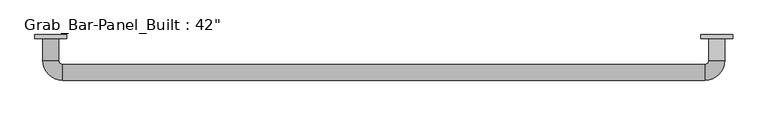
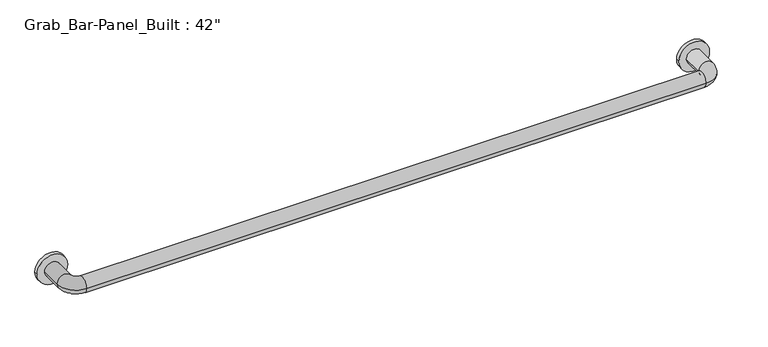
"""IFC4 building model written with IfcOpenShell, lengths in millimetres: proxy geometry."""

import ifcopenshell
import ifcopenshell.guid

model = None  # the IFC model being written
_history = None  # IfcOwnerHistory: only IFC2X3 demands one
_inside = {}  # id of a spatial element -> (the spatial element, [elements in it])
_under = {}  # id of a project, library or spatial element -> (it, [spatial elements below it])
_declared = {}  # id of a project -> (the project, [libraries it declares])
_typed = {}  # id of a type object -> (the type object, [elements of that type])
_made_of = {}  # id of a material, layer set ... -> (it, [elements and type objects made of it])


def new_model(schema):
    """Start an empty IFC model of exactly this schema.

    Asked for "IFC4X3", IfcOpenShell would pick the latest addendum, in which some entities
    have other attributes; the version numbers below select the first issue.
    IFC2X3 requires an IfcOwnerHistory on every rooted entity: one is made here for all.
    """
    global model, _history
    if schema == "IFC4X3":
        model = ifcopenshell.file(schema_version=(4, 3, 0, 0))
    else:
        model = ifcopenshell.file(schema=schema)
    _inside.clear()
    _under.clear()
    _declared.clear()
    _typed.clear()
    _made_of.clear()
    _history = None
    if model.schema == "IFC2X3":
        org = make("IfcOrganization", Name="unknown")
        user = make(
            "IfcPersonAndOrganization",
            ThePerson=make("IfcPerson", FamilyName="unknown"),
            TheOrganization=org,
        )
        app = make(
            "IfcApplication",
            ApplicationDeveloper=org,
            Version="unknown",
            ApplicationFullName="unknown",
            ApplicationIdentifier="unknown",
        )
        _history = make(
            "IfcOwnerHistory",
            OwningUser=user,
            OwningApplication=app,
            ChangeAction="ADDED",
            CreationDate=0,
        )
    return model


def make(cls, **values):
    """One entity of the class cls with the attributes given. An attribute that is None is left unset."""
    return model.create_entity(
        cls, **{name: value for name, value in values.items() if value is not None}
    )


def rooted(cls, **values):
    """An entity with a GlobalId (a new one), such as an element, a storey or a relation."""
    return make(cls, GlobalId=ifcopenshell.guid.new(), OwnerHistory=_history, **values)


def si_unit(unit_type, name, prefix=None):
    """IfcSIUnit, for example si_unit("LENGTHUNIT", "METRE", prefix="MILLI")."""
    return make("IfcSIUnit", UnitType=unit_type, Prefix=prefix, Name=name)


def assignment(units):
    """IfcUnitAssignment: the units of a project."""
    return None if units is None else make("IfcUnitAssignment", Units=units)


def point(xyz):
    """IfcCartesianPoint."""
    return None if xyz is None else make("IfcCartesianPoint", Coordinates=xyz)


def direction(xyz):
    """IfcDirection."""
    return None if xyz is None else make("IfcDirection", DirectionRatios=xyz)


def frame(location, z_axis=None, x_axis=None):
    """IfcAxis2Placement3D, a coordinate frame: its origin and axes. An axis left out is left unset."""
    return make(
        "IfcAxis2Placement3D",
        Location=point(location),
        Axis=direction(z_axis),
        RefDirection=direction(x_axis),
    )


def origin():
    """The frame at (0, 0, 0) with its axes left unset."""
    return frame((0.0, 0.0, 0.0))


def place(relative_to, where):
    """IfcLocalPlacement: puts the frame where relative to a parent placement (None: the world)."""
    return make(
        "IfcLocalPlacement", PlacementRelTo=relative_to, RelativePlacement=where
    )


def context(
    kind, dimensions, precision=None, world=None, true_north=None, identifier=None
):
    """IfcGeometricRepresentationContext, for example the 3D "Model" context."""
    return make(
        "IfcGeometricRepresentationContext",
        ContextIdentifier=identifier,
        ContextType=kind,
        CoordinateSpaceDimension=dimensions,
        Precision=precision,
        WorldCoordinateSystem=world,
        TrueNorth=true_north,
    )


def project(units=None, contexts=None):
    """IfcProject with its units and contexts."""
    return rooted(
        "IfcProject",
        Name="project",
        RepresentationContexts=contexts,
        UnitsInContext=assignment(units),
    )


def spatial(cls, under=None, at=None, **own):
    """A site, building, storey or space (cls), placed at a placement, below another one or the project."""
    s = rooted(cls, ObjectPlacement=at, **own)
    if under is not None:
        _under.setdefault(under.id(), (under, []))[1].append(s)
    return s


def circle_curve(where, radius):
    """IfcCircle in the frame where."""
    return make("IfcCircle", Position=where, Radius=radius)


def ellipse_curve(where, semi_axis1, semi_axis2):
    """IfcEllipse in the frame where."""
    return make(
        "IfcEllipse", Position=where, SemiAxis1=semi_axis1, SemiAxis2=semi_axis2
    )


def trimmed(basis, trim1, trim2, sense, master):
    """IfcTrimmedCurve: the piece of a basis curve between two trims."""
    return make(
        "IfcTrimmedCurve",
        BasisCurve=basis,
        Trim1=trim1,
        Trim2=trim2,
        SenseAgreement=sense,
        MasterRepresentation=master,
    )


def shape(context_of_items, identifier, shape_type, items):
    """IfcShapeRepresentation: the items that make up one representation, for example the "Body"."""
    return make(
        "IfcShapeRepresentation",
        ContextOfItems=context_of_items,
        RepresentationIdentifier=identifier,
        RepresentationType=shape_type,
        Items=items,
    )


def source(mapping_origin, context_of_items, identifier, shape_type, items):
    """IfcRepresentationMap: a shape defined once, which mapped items show again and again."""
    return make(
        "IfcRepresentationMap",
        MappingOrigin=mapping_origin,
        MappedRepresentation=shape(context_of_items, identifier, shape_type, items),
    )


def transform(
    local_origin,
    x_axis=None,
    y_axis=None,
    z_axis=None,
    scale=None,
    scale2=None,
    scale3=None,
    uniform=True,
):
    """IfcCartesianTransformationOperator3D, or its non-uniform kind. x_axis, y_axis, z_axis: its Axis1, 2, 3."""
    if uniform:
        return make(
            "IfcCartesianTransformationOperator3D",
            Axis1=direction(x_axis),
            Axis2=direction(y_axis),
            LocalOrigin=point(local_origin),
            Scale=scale,
            Axis3=direction(z_axis),
        )
    return make(
        "IfcCartesianTransformationOperator3DnonUniform",
        Axis1=direction(x_axis),
        Axis2=direction(y_axis),
        LocalOrigin=point(local_origin),
        Scale=scale,
        Axis3=direction(z_axis),
        Scale2=scale2,
        Scale3=scale3,
    )


def mapped(mapping_source, mapping_target):
    """IfcMappedItem: shows the shape of a source again, moved by a transform."""
    return make(
        "IfcMappedItem", MappingSource=mapping_source, MappingTarget=mapping_target
    )


def made_of(thing, what):
    """Note that an element or type object is made of a material, layer set ...; save() writes the relation."""
    if what is not None:
        _made_of.setdefault(what.id(), (what, []))[1].append(thing)
    return thing


def element(
    cls,
    number,
    at=None,
    inside=None,
    cuts=None,
    type_object=None,
    material=None,
    context=None,
    identifier="Body",
    shape_type=None,
    held_by="IfcProductDefinitionShape",
    body=None,
    shapes=None,
    **own,
):
    """One element of the class cls, such as IfcWall. Its Tag is "e" and its number.

    at: its placement. inside: the storey or other place that contains it. cuts: it is an
    opening in that element (IfcRelVoidsElement). A single representation is given by context,
    identifier, shape_type and body (its items); several are given by shapes. held_by: the class
    of the entity that holds the representations. save() writes the other relations.
    """
    e = rooted(cls, Tag="e%d" % number, ObjectPlacement=at, **own)
    if body is not None:
        shapes = [shape(context, identifier, shape_type, body)]
    if shapes is not None:
        e.Representation = make(held_by, Representations=shapes)
    if inside is not None:
        _inside.setdefault(inside.id(), (inside, []))[1].append(e)
    if cuts is not None:
        rooted(
            "IfcRelVoidsElement", RelatingBuildingElement=cuts, RelatedOpeningElement=e
        )
    if type_object is not None:
        _typed.setdefault(type_object.id(), (type_object, []))[1].append(e)
    return made_of(e, material)


def aggregate(whole, parts):
    """IfcRelAggregates: a whole, such as a stair, and the parts it consists of."""
    return rooted("IfcRelAggregates", RelatingObject=whole, RelatedObjects=parts)


def save(model, path):
    """Write the relations noted so far, then the file.

    IfcRelAggregates (storeys below a building ...), IfcRelContainedInSpatialStructure (elements
    in a storey), IfcRelDefinesByType, IfcRelAssociatesMaterial and IfcRelDeclares: one each for
    every whole, place, type object, material and project.
    """
    for whole, parts in _under.values():
        aggregate(whole, parts)
    for where, things in _inside.values():
        rooted(
            "IfcRelContainedInSpatialStructure",
            RelatedElements=things,
            RelatingStructure=where,
        )
    for kind, things in _typed.values():
        rooted("IfcRelDefinesByType", RelatedObjects=things, RelatingType=kind)
    for what, things in _made_of.values():
        rooted("IfcRelAssociatesMaterial", RelatedObjects=things, RelatingMaterial=what)
    for by, libraries in _declared.values():
        rooted("IfcRelDeclares", RelatingContext=by, RelatedDefinitions=libraries)
    model.write(path)


def plane_surface(at):
    """IfcPlane: the flat surface through the origin of the frame at, square to its z axis."""
    return make("IfcPlane", Position=at)


def cylinder_surface(at, radius):
    """IfcCylindricalSurface: all points at the distance radius from the z axis of the frame at."""
    return make("IfcCylindricalSurface", Position=at, Radius=radius)


def revolved_surface(curve, axis_point, axis_direction):
    """IfcSurfaceOfRevolution: the curve turned about the line through axis_point along axis_direction."""
    return make(
        "IfcSurfaceOfRevolution",
        SweptCurve=make("IfcArbitraryOpenProfileDef", ProfileType="CURVE", Curve=curve),
        AxisPosition=make("IfcAxis1Placement", Location=point(axis_point), Axis=direction(axis_direction)),
    )


def advanced_brep(points, edges, surfaces, faces):
    """IfcAdvancedBrep: a solid bounded by faces that lie on surfaces and meet in shared edges.

    An edge is (start, end): straight between two places in points (the first is 0);
    or (start, end, curve); or (start, end, curve, False) where it runs against its curve.
    A face is (place in surfaces, loops), or (place, loops, False) where it looks against
    its surface's normal. A loop lists edges by number (the first is 1), with a minus sign
    where the edge is run from its end to its start. The first loop is the outer one.
    """
    corners = [point(p) for p in points]
    vertices = [make("IfcVertexPoint", VertexGeometry=c) for c in corners]
    made = []
    for start, end, *more in edges:
        made.append(
            make(
                "IfcEdgeCurve",
                EdgeStart=vertices[start],
                EdgeEnd=vertices[end],
                EdgeGeometry=more[0] if more else make("IfcPolyline", Points=[corners[start], corners[end]]),
                SameSense=more[1] if len(more) > 1 else True,
            )
        )
    hull = []
    for where, loops, *sense in faces:
        bounds = []
        for j, loop in enumerate(loops):
            ring = [make("IfcOrientedEdge", EdgeElement=made[abs(k) - 1], Orientation=k > 0) for k in loop]
            bounds.append(
                make(
                    "IfcFaceOuterBound" if j == 0 else "IfcFaceBound",
                    Bound=make("IfcEdgeLoop", EdgeList=ring),
                    Orientation=True,
                )
            )
        hull.append(make("IfcAdvancedFace", Bounds=bounds, FaceSurface=surfaces[where], SameSense=sense[0] if sense else True))
    return make("IfcAdvancedBrep", Outer=make("IfcClosedShell", CfsFaces=hull))


def proxy_6a777a1e(model_context):
    return source(origin(), model_context, "Body", "AdvancedBrep", [
        advanced_brep(
        [(-558.8, -6.35, 0.0), (-508.0, -6.35, 0.0), (-546.1, -6.35, 0.0), (-520.7, -6.35, 0.0), (508.0, -6.35, 0.0), (558.8, -6.35, 0.0), (520.7, -6.35, 0.0), (546.1, -6.35, 0.0), (-558.8, 0.0, 0.0), (-508.0, 0.0, 0.0), (508.0, 0.0, 0.0), (558.8, 0.0, 0.0), (-546.1, -41.275, 0.0), (-520.7, -41.275, 0.0), (-514.35, -47.625, 0.0), (-514.35, -73.025, 0.0), (514.35, -73.025, 0.0), (514.35, -47.625, 0.0), (520.7, -41.275, 0.0), (546.1, -41.275, 0.0)],
        [
            (0, 1, circle_curve(frame((-533.4, -6.35, 0.0), z_axis=(0.0, -1.0, 0.0), x_axis=(1.0, 0.0, 0.0)), 25.4)),
            (1, 0, circle_curve(frame((-533.4, -6.35, 0.0), z_axis=(0.0, -1.0, 0.0), x_axis=(1.0, 0.0, 0.0)), 25.4)),
            (2, 3, circle_curve(frame((-533.4, -6.35, 0.0), z_axis=(0.0, 1.0, 0.0), x_axis=(1.0, 0.0, 0.0)), 12.7)),
            (3, 2, circle_curve(frame((-533.4, -6.35, 0.0), z_axis=(0.0, 1.0, 0.0), x_axis=(1.0, 0.0, 0.0)), 12.7)),
            (4, 5, circle_curve(frame((533.4, -6.35, 0.0), z_axis=(0.0, -1.0, 0.0), x_axis=(1.0, 0.0, 0.0)), 25.4)),
            (5, 4, circle_curve(frame((533.4, -6.35, 0.0), z_axis=(0.0, -1.0, 0.0), x_axis=(1.0, 0.0, 0.0)), 25.4)),
            (6, 7, circle_curve(frame((533.4, -6.35, 0.0), z_axis=(0.0, 1.0, 0.0), x_axis=(-1.0, 0.0, 0.0)), 12.7)),
            (7, 6, circle_curve(frame((533.4, -6.35, 0.0), z_axis=(0.0, 1.0, 0.0), x_axis=(-1.0, 0.0, 0.0)), 12.7)),
            (8, 9, circle_curve(frame((-533.4, 0.0, 0.0), z_axis=(0.0, 1.0, 0.0), x_axis=(1.0, 0.0, 0.0)), 25.4)),
            (9, 8, circle_curve(frame((-533.4, 0.0, 0.0), z_axis=(0.0, 1.0, 0.0), x_axis=(1.0, 0.0, 0.0)), 25.4)),
            (10, 11, circle_curve(frame((533.4, 0.0, 0.0), z_axis=(0.0, 1.0, 0.0), x_axis=(1.0, 0.0, 0.0)), 25.4)),
            (11, 10, circle_curve(frame((533.4, 0.0, 0.0), z_axis=(0.0, 1.0, 0.0), x_axis=(1.0, 0.0, 0.0)), 25.4)),
            (0, 8),
            (9, 1),
            (4, 10),
            (11, 5),
            (12, 13, circle_curve(frame((-533.4, -41.275, 0.0), z_axis=(0.0, 1.0, 0.0), x_axis=(1.0, 0.0, 0.0)), 12.7)),
            (13, 3),
            (2, 12),
            (13, 12, circle_curve(frame((-533.4, -41.275, 0.0), z_axis=(0.0, 1.0, 0.0), x_axis=(1.0, 0.0, 0.0)), 12.7)),
            (14, 15, circle_curve(frame((-514.35, -60.325, 0.0), z_axis=(1.0, 0.0, 0.0), x_axis=(0.0, 1.0, 0.0)), 12.7)),
            (15, 16),
            (16, 17, circle_curve(frame((514.35, -60.325, 0.0), z_axis=(-1.0, 0.0, 0.0), x_axis=(0.0, 1.0, 0.0)), 12.7)),
            (17, 14),
            (15, 14, circle_curve(frame((-514.35, -60.325, 0.0), z_axis=(1.0, 0.0, 0.0), x_axis=(0.0, 1.0, 0.0)), 12.7)),
            (17, 16, circle_curve(frame((514.35, -60.325, 0.0), z_axis=(-1.0, 0.0, 0.0), x_axis=(0.0, 1.0, 0.0)), 12.7)),
            (18, 19, circle_curve(frame((533.4, -41.275, 0.0), z_axis=(0.0, 1.0, 0.0), x_axis=(-1.0, 0.0, 0.0)), 12.7)),
            (19, 7),
            (6, 18),
            (19, 18, circle_curve(frame((533.4, -41.275, 0.0), z_axis=(0.0, 1.0, 0.0), x_axis=(-1.0, 0.0, 0.0)), 12.7)),
            (12, 15, circle_curve(frame((-514.35, -41.275, 0.0), z_axis=(0.0, 0.0, 1.0), x_axis=(-1.0, 0.0, 0.0)), 31.75)),
            (14, 13, circle_curve(frame((-514.35, -41.275, 0.0), z_axis=(0.0, 0.0, -1.0), x_axis=(-1.0, 0.0, 0.0)), 6.35)),
            (16, 19, circle_curve(frame((514.35, -41.275, 0.0), z_axis=(0.0, 0.0, 1.0), x_axis=(0.0, -1.0, 0.0)), 31.75)),
            (18, 17, circle_curve(frame((514.35, -41.275, 0.0), z_axis=(0.0, 0.0, -1.0), x_axis=(0.0, -1.0, 0.0)), 6.35)),
        ],
        [
            plane_surface(frame((-508.0, -6.35, 0.0), z_axis=(0.0, -1.0, 0.0), x_axis=(0.0, 0.0, 1.0))),
            plane_surface(frame((-508.0, 0.0, 0.0), z_axis=(0.0, 1.0, 0.0), x_axis=(0.0, 0.0, -1.0))),
            cylinder_surface(frame((-533.4, 0.0, 0.0), z_axis=(0.0, -1.0, 0.0), x_axis=(1.0, 0.0, 0.0)), 25.4),
            cylinder_surface(frame((533.4, 0.0, 0.0), z_axis=(0.0, -1.0, 0.0), x_axis=(1.0, 0.0, 0.0)), 25.4),
            cylinder_surface(frame((-533.4, 0.0, 0.0), z_axis=(0.0, 1.0, 0.0), x_axis=(1.0, 0.0, 0.0)), 12.7),
            cylinder_surface(frame((-514.35, -60.325, 0.0), z_axis=(-1.0, 0.0, 0.0), x_axis=(0.0, 1.0, 0.0)), 12.7),
            cylinder_surface(frame((533.4, -41.275, 0.0), z_axis=(0.0, -1.0, 0.0), x_axis=(-1.0, 0.0, 0.0)), 12.7),
            revolved_surface(trimmed(ellipse_curve(frame((-533.4, -41.275, 0.0), z_axis=(0.0, 1.0, 0.0), x_axis=(1.0, 0.0, 0.0)), 12.7, 12.7), [point((-546.1, -41.275, 0.0))], [point((-520.7, -41.275, 0.0))], True, "CARTESIAN"), (-514.35, -41.275, 0.0), (0.0, 0.0, 1.0)),
            revolved_surface(trimmed(ellipse_curve(frame((-533.4, -41.275, 0.0), z_axis=(0.0, 1.0, 0.0), x_axis=(1.0, 0.0, 0.0)), 12.7, 12.7), [point((-520.7, -41.275, 0.0))], [point((-546.1, -41.275, 0.0))], True, "CARTESIAN"), (-514.35, -41.275, 0.0), (0.0, 0.0, 1.0)),
            revolved_surface(trimmed(ellipse_curve(frame((514.35, -60.325, 0.0), z_axis=(-1.0, 0.0, 0.0), x_axis=(0.0, 1.0, 0.0)), 12.7, 12.7), [point((514.35, -73.025, 0.0))], [point((514.35, -47.625, 0.0))], True, "CARTESIAN"), (514.35, -41.275, 0.0), (0.0, 0.0, 1.0)),
            revolved_surface(trimmed(ellipse_curve(frame((514.35, -60.325, 0.0), z_axis=(-1.0, 0.0, 0.0), x_axis=(0.0, 1.0, 0.0)), 12.7, 12.7), [point((514.35, -47.625, 0.0))], [point((514.35, -73.025, 0.0))], True, "CARTESIAN"), (514.35, -41.275, 0.0), (0.0, 0.0, 1.0)),
        ],
        [
            (0, [[1, 2], [3, 4]]),
            (0, [[5, 6], [7, 8]]),
            (1, [[9, 10]]),
            (1, [[11, 12]]),
            (2, [[-1, 13, -10, 14]]),
            (2, [[-2, -14, -9, -13]]),
            (3, [[-5, 15, -12, 16]]),
            (3, [[-6, -16, -11, -15]]),
            (4, [[17, 18, -3, 19]]),
            (4, [[20, -19, -4, -18]]),
            (5, [[21, 22, 23, 24]]),
            (5, [[-22, 25, -24, 26]]),
            (6, [[27, 28, -7, 29]]),
            (6, [[30, -29, -8, -28]]),
            (7, [[-17, 31, -21, 32]]),
            (8, [[-20, -32, -25, -31]]),
            (9, [[-23, 33, -27, 34]]),
            (10, [[-26, -34, -30, -33]]),
        ],
    ),
    ])


if __name__ == "__main__":
    model = new_model("IFC4")
    model_context = context("Model", 3, world=origin())
    ifc_project = project(units=[si_unit("LENGTHUNIT", "METRE", prefix="MILLI")], contexts=[model_context])
    site = spatial("IfcSite", under=ifc_project)
    building = spatial("IfcBuilding", under=site)
    placement = place(None, origin())
    proxy_shape = proxy_6a777a1e(model_context)
    element("IfcBuildingElementProxy", 1, Name="Grab_Bar-Panel_Built : 42\"", ObjectType="Grab_Bar-Panel_Built : 42\"", at=placement, inside=building, context=model_context, shape_type="MappedRepresentation", body=[
        mapped(proxy_shape, transform((0.0, 0.0, 0.0), x_axis=(1.0, 0.0, 0.0), y_axis=(0.0, 1.0, 0.0), z_axis=(0.0, 0.0, 1.0))),
    ])
    save(model, "model.ifc")
